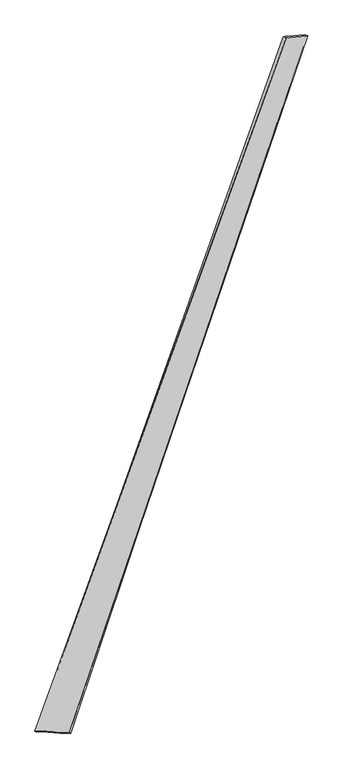
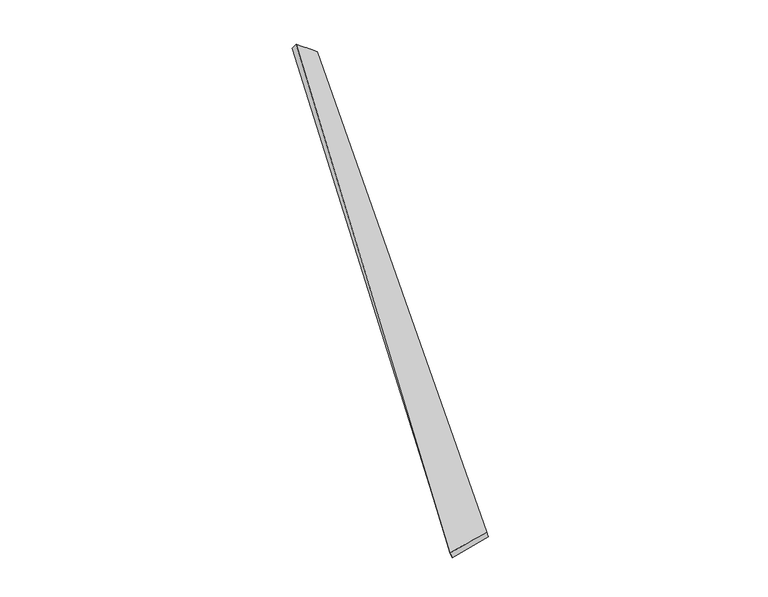
"""IFC4 building model written with IfcOpenShell, lengths in millimetres: proxy geometry."""

from ifc_helpers import new_model, si_unit, origin, place, context, project, spatial, source, transform, mapped, element, save
from ifc_brep_helpers import spline_surface, advanced_brep


def generic_models_20401ff1(model_context):
    return source(origin(), model_context, "Body", "AdvancedBrep", [
        advanced_brep(
        [(-716.3969655, -1814.8723125, -28.9904314), (-725.5722868, -1812.1648155, -0.556597), (723.2513679, 2186.9536693, 71.4798496), (705.5929372, 2193.6664501, 48.1749489), (-526.0925356, -1819.6634329, 57.7383994), (848.339685, 2198.0210782, -25.367593), (-518.7329086, -1822.6795417, 28.8119586), (829.5369369, 2203.8854041, -47.996476)],
        [
            (0, 1),
            (1, 2),
            (2, 3),
            (3, 0),
            (1, 4),
            (4, 5),
            (5, 2),
            (4, 6),
            (6, 7),
            (7, 5),
            (6, 0),
            (3, 7),
        ],
        [
            spline_surface(1, 1, [[(-716.3969655, -1814.8723125, -28.9904314), (705.5929372, 2193.6664501, 48.1749489)], [(-725.5722868, -1812.1648155, -0.556597), (723.2513679, 2186.9536693, 71.4798496)]], [2, 2], [2, 2], [0.0, 1.0], [0.0, 1.0]),
            spline_surface(1, 1, [[(-725.5722868, -1812.1648155, -0.556597), (723.2513679, 2186.9536693, 71.4798496)], [(-526.0925356, -1819.6634329, 57.7383994), (848.339685, 2198.0210782, -25.367593)]], [2, 2], [2, 2], [0.0, 1.0], [0.0, 1.0]),
            spline_surface(1, 1, [[(-526.0925356, -1819.6634329, 57.7383994), (848.339685, 2198.0210782, -25.367593)], [(-518.7329086, -1822.6795417, 28.8119586), (829.5369369, 2203.8854041, -47.996476)]], [2, 2], [2, 2], [0.0, 1.0], [0.0, 1.0]),
            spline_surface(1, 1, [[(-518.7329086, -1822.6795417, 28.8119586), (829.5369369, 2203.8854041, -47.996476)], [(-716.3969655, -1814.8723125, -28.9904314), (705.5929372, 2193.6664501, 48.1749489)]], [2, 2], [2, 2], [0.0, 1.0], [0.0, 1.0]),
            spline_surface(1, 1, [[(723.2513679, 2186.9536693, 71.4798496), (705.5929372, 2193.6664501, 48.1749489)], [(848.339685, 2198.0210782, -25.367593), (829.5369369, 2203.8854041, -47.996476)]], [2, 2], [2, 2], [0.0, 1.0], [0.0, 1.0]),
            spline_surface(1, 1, [[(-518.7329086, -1822.6795417, 28.8119586), (-716.3969655, -1814.8723125, -28.9904314)], [(-526.0925356, -1819.6634329, 57.7383994), (-725.5722868, -1812.1648155, -0.556597)]], [2, 2], [2, 2], [0.0, 1.0], [0.0, 1.0]),
        ],
        [
            (0, [[1, 2, 3, 4]]),
            (1, [[5, 6, 7, -2]]),
            (2, [[8, 9, 10, -6]]),
            (3, [[11, -4, 12, -9]]),
            (4, [[-3, -7, -10, -12]]),
            (5, [[-11, -8, -5, -1]]),
        ],
    ),
    ])


if __name__ == "__main__":
    model = new_model("IFC4")
    model_context = context("Model", 3, world=origin())
    ifc_project = project(units=[si_unit("LENGTHUNIT", "METRE", prefix="MILLI")], contexts=[model_context])
    site = spatial("IfcSite", under=ifc_project)
    building = spatial("IfcBuilding", under=site)
    placement = place(None, origin())
    generic_models_shape = generic_models_20401ff1(model_context)
    element("IfcBuildingElementProxy", 1, Name="Generic Models", at=placement, inside=building, context=model_context, shape_type="MappedRepresentation", body=[
        mapped(generic_models_shape, transform((0.0, 0.0, 0.0), x_axis=(1.0, 0.0, 0.0), y_axis=(0.0, 1.0, 0.0), z_axis=(0.0, 0.0, 1.0))),
    ])
    save(model, "model.ifc")
